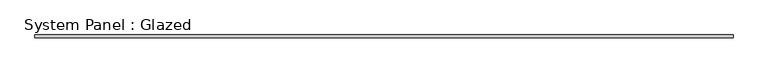
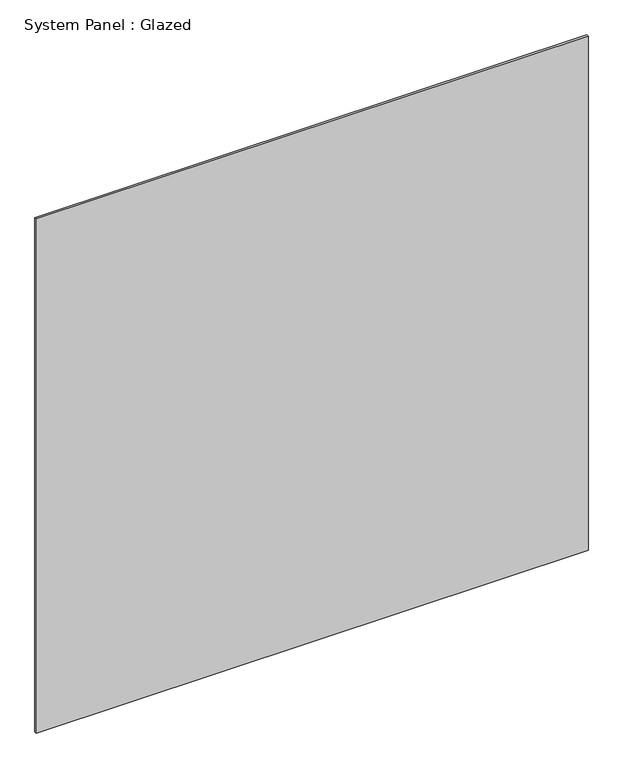
"""IFC4 building model written with IfcOpenShell, lengths in millimetres: plate geometry, System Panel : Glazed."""

from ifc_helpers import new_model, si_unit, origin, origin_with_axes, place, context, project, spatial, polyline, outline, extrude, source, transform, mapped, element, save


def system_panel_glazed_4b178ed2(model_context):
    return source(origin(), model_context, "Body", "SweptSolid", [
        extrude(outline(polyline([(739.775, -55.75), (-739.775, -55.75), (-739.775, -49.45), (739.775, -49.45), (739.775, -55.75)])), origin_with_axes(), (0.0, 0.0, 1.0), 1457.325),
    ])


if __name__ == "__main__":
    model = new_model("IFC4")
    model_context = context("Model", 3, world=origin())
    ifc_project = project(units=[si_unit("LENGTHUNIT", "METRE", prefix="MILLI")], contexts=[model_context])
    site = spatial("IfcSite", under=ifc_project)
    building = spatial("IfcBuilding", under=site)
    placement = place(None, origin())
    system_panel_glazed_shape = system_panel_glazed_4b178ed2(model_context)
    element("IfcPlate", 1, ObjectType="System Panel : Glazed", at=placement, inside=building, context=model_context, shape_type="MappedRepresentation", body=[
        mapped(system_panel_glazed_shape, transform((0.0, 0.0, 0.0), x_axis=(1.0, 0.0, 0.0), y_axis=(0.0, 1.0, 0.0), z_axis=(0.0, 0.0, 1.0))),
    ])
    save(model, "model.ifc")
